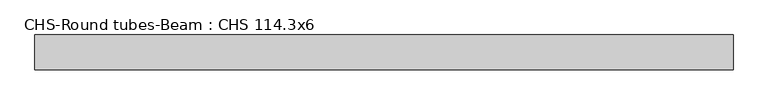
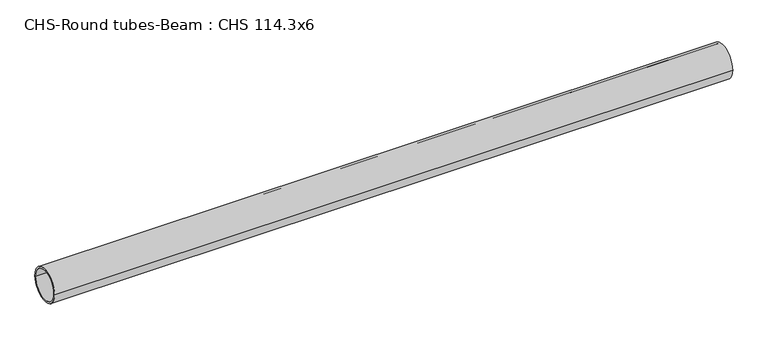
"""IFC4 building model written with IfcOpenShell, lengths in millimetres: beam geometry, CHS-Round tubes-Beam : CHS 114.3x6."""

from ifc_helpers import new_model, si_unit, point, frame, origin, origin_2d, place, context, project, spatial, circle_curve, trimmed, segment, composite_curve, outline, extrude, source, transform, mapped, element, save


def chs_round_tubes_beam_chs_114_3x6_ca36d710(model_context):
    return source(origin(), model_context, "Body", "SweptSolid", [
        extrude(outline(composite_curve([segment(trimmed(circle_curve(origin_2d(), 57.15), [point((57.15, 0.0))], [point((-57.15, 0.0))], False, "CARTESIAN"), True, "CONTINUOUS"), segment(trimmed(circle_curve(origin_2d(), 57.15), [point((-57.15, 0.0))], [point((57.15, 0.0))], False, "CARTESIAN"), True, "CONTINUOUS")], self_intersect=False), holes=[composite_curve([segment(trimmed(circle_curve(origin_2d(), 51.15), [point((51.15, 0.0))], [point((-51.15, 0.0))], True, "CARTESIAN"), True, "CONTINUOUS"), segment(trimmed(circle_curve(origin_2d(), 51.15), [point((-51.15, 0.0))], [point((51.15, 0.0))], True, "CARTESIAN"), True, "CONTINUOUS")], self_intersect=False)]), frame((-1112.359237, 0.0, 0.0), z_axis=(1.0, 0.0, 0.0), x_axis=(0.0, 1.0, 0.0)), (0.0, 0.0, 1.0), 2287.6149618),
    ])


if __name__ == "__main__":
    model = new_model("IFC4")
    model_context = context("Model", 3, world=origin())
    ifc_project = project(units=[si_unit("LENGTHUNIT", "METRE", prefix="MILLI")], contexts=[model_context])
    site = spatial("IfcSite", under=ifc_project)
    building = spatial("IfcBuilding", under=site)
    placement = place(None, origin())
    chs_round_tubes_beam_chs_114_3x6_shape = chs_round_tubes_beam_chs_114_3x6_ca36d710(model_context)
    element("IfcBeam", 1, ObjectType="CHS-Round tubes-Beam : CHS 114.3x6", at=placement, inside=building, context=model_context, shape_type="MappedRepresentation", body=[
        mapped(chs_round_tubes_beam_chs_114_3x6_shape, transform((0.0, 0.0, 0.0), x_axis=(1.0, 0.0, 0.0), y_axis=(0.0, 1.0, 0.0), z_axis=(0.0, 0.0, 1.0))),
    ])
    save(model, "model.ifc")
